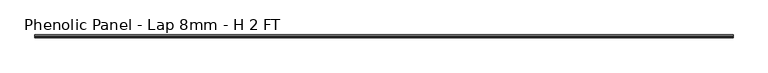
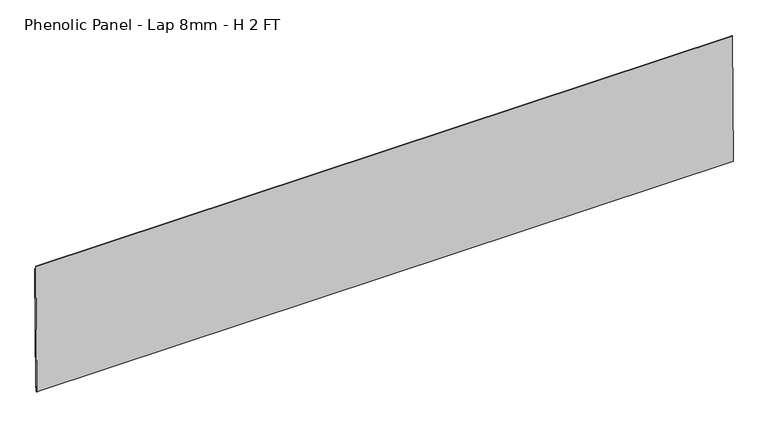
"""IFC4 building model written with IfcOpenShell, lengths in millimetres: proxy geometry, Phenolic Panel - Lap 8mm - H 2 FT."""

from ifc_helpers import new_model, si_unit, frame, origin, place, context, project, spatial, polyline, outline, extrude, source, transform, mapped, element, save


def phenolic_panel_lap_8mm_h_2_ft_92fd6aeb(model_context):
    return source(origin(), model_context, "Body", "SweptSolid", [
        extrude(outline(polyline([(2.7732555, 593.6735917), (-2.4688477, 47.5987522), (-4.849988, 47.6216102), (-4.7737946, 55.5587445), (-7.3533633, 55.5835073), (-7.5819434, 31.7721044), (-9.5523841, 31.7910199), (-10.5487117, 32.8066615), (-5.0211492, 608.618069), (-4.0055075, 609.6143966), (-2.6240021, 609.6011347), (-2.7763888, 593.7268661), (2.7732555, 593.6735917)])), frame((-1835.15, 0.0, 0.0), z_axis=(1.0, 0.0, 0.0), x_axis=(0.0, 1.0, 0.0)), (0.0, 0.0, 1.0), 3054.35),
    ])


if __name__ == "__main__":
    model = new_model("IFC4")
    model_context = context("Model", 3, world=origin())
    ifc_project = project(units=[si_unit("LENGTHUNIT", "METRE", prefix="MILLI")], contexts=[model_context])
    site = spatial("IfcSite", under=ifc_project)
    building = spatial("IfcBuilding", under=site)
    placement = place(None, origin())
    phenolic_panel_lap_8mm_h_2_ft_shape = phenolic_panel_lap_8mm_h_2_ft_92fd6aeb(model_context)
    element("IfcBuildingElementProxy", 1, Name="Phenolic Panel - Lap 8mm - H 2 FT", ObjectType="Phenolic Panel - Lap 8mm - H 2 FT", at=placement, inside=building, context=model_context, shape_type="MappedRepresentation", body=[
        mapped(phenolic_panel_lap_8mm_h_2_ft_shape, transform((0.0, 0.0, 0.0), x_axis=(1.0, 0.0, 0.0), y_axis=(0.0, 1.0, 0.0), z_axis=(0.0, 0.0, 1.0))),
    ])
    save(model, "model.ifc")
